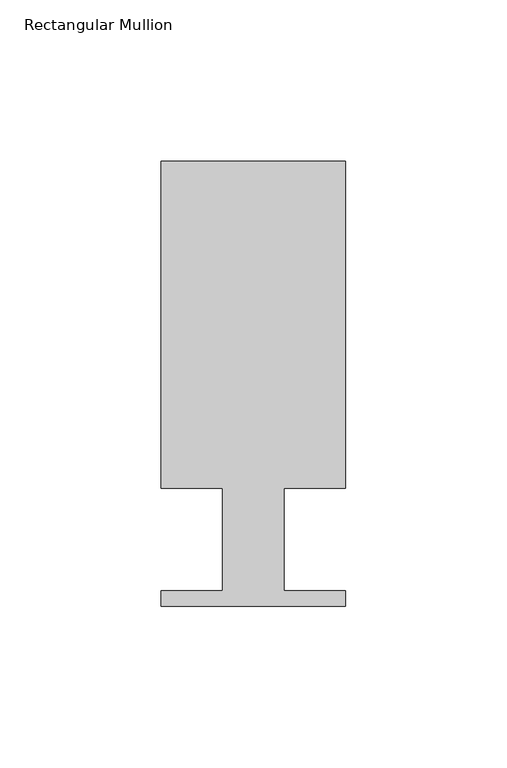
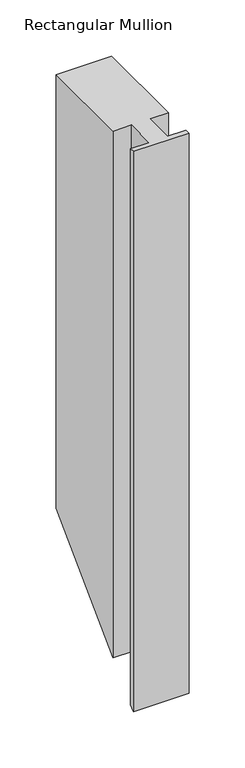
"""IFC4 building model written with IfcOpenShell, lengths in millimetres: member geometry, Rectangular Mullion."""

from ifc_helpers import new_model, si_unit, origin, place, context, project, spatial, faceted_brep, source, transform, mapped, element, save


def rectangular_mullion_0a24d73e(model_context):
    return source(origin(), model_context, "Body", "Brep", [
        faceted_brep([(0.0, 138.3268125, 0.0), (-57.15, 138.3268125, 0.0), (-57.15, 37.1078125, 0.0), (-38.1, 37.1078125, 0.0), (-38.1, 5.3578125, 0.0), (-57.15, 5.3578125, 0.0), (-57.15, 0.5318125, 0.0), (0.0, 0.5318125, 0.0), (0.0, 5.3578125, 0.0), (-19.05, 5.3578125, 0.0), (-19.05, 37.1078125, 0.0), (0.0, 37.1078125, 0.0), (0.0, 138.3268125, -471.2731875), (-57.15, 138.3268125, -471.2731875), (-57.15, 37.1078125, -572.4921875), (-38.1, 37.1078125, -572.4921875), (-38.1, 5.3578125, -604.2421875), (-57.15, 5.3578125, -604.2421875), (-57.15, 0.5318125, -609.0681875), (0.0, 0.5318125, -609.0681875), (0.0, 5.3578125, -604.2421875), (-19.05, 5.3578125, -604.2421875), (-19.05, 37.1078125, -572.4921875), (0.0, 37.1078125, -572.4921875)], [[[0, 1, 2, 3, 4, 5, 6, 7, 8, 9, 10, 11]], [[1, 0, 12, 13]], [[2, 1, 13, 14]], [[3, 2, 14, 15]], [[4, 3, 15, 16]], [[5, 4, 16, 17]], [[6, 5, 17, 18]], [[7, 6, 18, 19]], [[8, 7, 19, 20]], [[9, 8, 20, 21]], [[10, 9, 21, 22]], [[11, 10, 22, 23]], [[0, 11, 23, 12]], [[12, 23, 22, 21, 20, 19, 18, 17, 16, 15, 14, 13]]]),
    ])


if __name__ == "__main__":
    model = new_model("IFC4")
    model_context = context("Model", 3, world=origin())
    ifc_project = project(units=[si_unit("LENGTHUNIT", "METRE", prefix="MILLI")], contexts=[model_context])
    site = spatial("IfcSite", under=ifc_project)
    building = spatial("IfcBuilding", under=site)
    placement = place(None, origin())
    rectangular_mullion_shape = rectangular_mullion_0a24d73e(model_context)
    element("IfcMember", 1, ObjectType="Rectangular Mullion", at=placement, inside=building, context=model_context, shape_type="MappedRepresentation", body=[
        mapped(rectangular_mullion_shape, transform((0.0, 0.0, 0.0), x_axis=(1.0, 0.0, 0.0), y_axis=(0.0, 1.0, 0.0), z_axis=(0.0, 0.0, 1.0))),
    ])
    save(model, "model.ifc")
